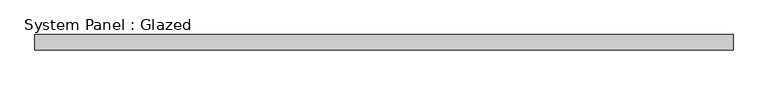
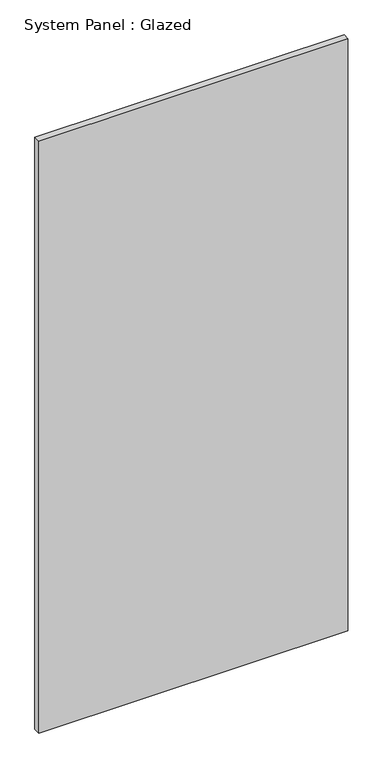
"""IFC4 building model written with IfcOpenShell, lengths in millimetres: plate geometry, System Panel : Glazed."""

import ifcopenshell
import ifcopenshell.guid

model = None  # the IFC model being written
_history = None  # IfcOwnerHistory: only IFC2X3 demands one
_inside = {}  # id of a spatial element -> (the spatial element, [elements in it])
_under = {}  # id of a project, library or spatial element -> (it, [spatial elements below it])
_declared = {}  # id of a project -> (the project, [libraries it declares])
_typed = {}  # id of a type object -> (the type object, [elements of that type])
_made_of = {}  # id of a material, layer set ... -> (it, [elements and type objects made of it])


def new_model(schema):
    """Start an empty IFC model of exactly this schema.

    Asked for "IFC4X3", IfcOpenShell would pick the latest addendum, in which some entities
    have other attributes; the version numbers below select the first issue.
    IFC2X3 requires an IfcOwnerHistory on every rooted entity: one is made here for all.
    """
    global model, _history
    if schema == "IFC4X3":
        model = ifcopenshell.file(schema_version=(4, 3, 0, 0))
    else:
        model = ifcopenshell.file(schema=schema)
    _inside.clear()
    _under.clear()
    _declared.clear()
    _typed.clear()
    _made_of.clear()
    _history = None
    if model.schema == "IFC2X3":
        org = make("IfcOrganization", Name="unknown")
        user = make(
            "IfcPersonAndOrganization",
            ThePerson=make("IfcPerson", FamilyName="unknown"),
            TheOrganization=org,
        )
        app = make(
            "IfcApplication",
            ApplicationDeveloper=org,
            Version="unknown",
            ApplicationFullName="unknown",
            ApplicationIdentifier="unknown",
        )
        _history = make(
            "IfcOwnerHistory",
            OwningUser=user,
            OwningApplication=app,
            ChangeAction="ADDED",
            CreationDate=0,
        )
    return model


def make(cls, **values):
    """One entity of the class cls with the attributes given. An attribute that is None is left unset."""
    return model.create_entity(
        cls, **{name: value for name, value in values.items() if value is not None}
    )


def rooted(cls, **values):
    """An entity with a GlobalId (a new one), such as an element, a storey or a relation."""
    return make(cls, GlobalId=ifcopenshell.guid.new(), OwnerHistory=_history, **values)


def si_unit(unit_type, name, prefix=None):
    """IfcSIUnit, for example si_unit("LENGTHUNIT", "METRE", prefix="MILLI")."""
    return make("IfcSIUnit", UnitType=unit_type, Prefix=prefix, Name=name)


def assignment(units):
    """IfcUnitAssignment: the units of a project."""
    return None if units is None else make("IfcUnitAssignment", Units=units)


def point(xyz):
    """IfcCartesianPoint."""
    return None if xyz is None else make("IfcCartesianPoint", Coordinates=xyz)


def direction(xyz):
    """IfcDirection."""
    return None if xyz is None else make("IfcDirection", DirectionRatios=xyz)


def frame(location, z_axis=None, x_axis=None):
    """IfcAxis2Placement3D, a coordinate frame: its origin and axes. An axis left out is left unset."""
    return make(
        "IfcAxis2Placement3D",
        Location=point(location),
        Axis=direction(z_axis),
        RefDirection=direction(x_axis),
    )


def origin():
    """The frame at (0, 0, 0) with its axes left unset."""
    return frame((0.0, 0.0, 0.0))


def origin_with_axes():
    """The frame at (0, 0, 0) with the z axis (0, 0, 1) and the x axis (1, 0, 0) written out."""
    return frame((0.0, 0.0, 0.0), z_axis=(0.0, 0.0, 1.0), x_axis=(1.0, 0.0, 0.0))


def place(relative_to, where):
    """IfcLocalPlacement: puts the frame where relative to a parent placement (None: the world)."""
    return make(
        "IfcLocalPlacement", PlacementRelTo=relative_to, RelativePlacement=where
    )


def context(
    kind, dimensions, precision=None, world=None, true_north=None, identifier=None
):
    """IfcGeometricRepresentationContext, for example the 3D "Model" context."""
    return make(
        "IfcGeometricRepresentationContext",
        ContextIdentifier=identifier,
        ContextType=kind,
        CoordinateSpaceDimension=dimensions,
        Precision=precision,
        WorldCoordinateSystem=world,
        TrueNorth=true_north,
    )


def project(units=None, contexts=None):
    """IfcProject with its units and contexts."""
    return rooted(
        "IfcProject",
        Name="project",
        RepresentationContexts=contexts,
        UnitsInContext=assignment(units),
    )


def spatial(cls, under=None, at=None, **own):
    """A site, building, storey or space (cls), placed at a placement, below another one or the project."""
    s = rooted(cls, ObjectPlacement=at, **own)
    if under is not None:
        _under.setdefault(under.id(), (under, []))[1].append(s)
    return s


def polyline(points):
    """IfcPolyline through the points."""
    return make("IfcPolyline", Points=[point(p) for p in points])


def outline(outer, holes=None, kind="AREA"):
    """IfcArbitraryClosedProfileDef: a profile drawn as a closed curve; with holes, ...WithVoids."""
    if holes is None:
        return make("IfcArbitraryClosedProfileDef", ProfileType=kind, OuterCurve=outer)
    return make(
        "IfcArbitraryProfileDefWithVoids",
        ProfileType=kind,
        OuterCurve=outer,
        InnerCurves=holes,
    )


def extrude(swept, where, along, depth):
    """IfcExtrudedAreaSolid: the profile swept, set in the frame where, extruded along a direction by depth."""
    return make(
        "IfcExtrudedAreaSolid",
        SweptArea=swept,
        Position=where,
        ExtrudedDirection=direction(along),
        Depth=depth,
    )


def shape(context_of_items, identifier, shape_type, items):
    """IfcShapeRepresentation: the items that make up one representation, for example the "Body"."""
    return make(
        "IfcShapeRepresentation",
        ContextOfItems=context_of_items,
        RepresentationIdentifier=identifier,
        RepresentationType=shape_type,
        Items=items,
    )


def source(mapping_origin, context_of_items, identifier, shape_type, items):
    """IfcRepresentationMap: a shape defined once, which mapped items show again and again."""
    return make(
        "IfcRepresentationMap",
        MappingOrigin=mapping_origin,
        MappedRepresentation=shape(context_of_items, identifier, shape_type, items),
    )


def transform(
    local_origin,
    x_axis=None,
    y_axis=None,
    z_axis=None,
    scale=None,
    scale2=None,
    scale3=None,
    uniform=True,
):
    """IfcCartesianTransformationOperator3D, or its non-uniform kind. x_axis, y_axis, z_axis: its Axis1, 2, 3."""
    if uniform:
        return make(
            "IfcCartesianTransformationOperator3D",
            Axis1=direction(x_axis),
            Axis2=direction(y_axis),
            LocalOrigin=point(local_origin),
            Scale=scale,
            Axis3=direction(z_axis),
        )
    return make(
        "IfcCartesianTransformationOperator3DnonUniform",
        Axis1=direction(x_axis),
        Axis2=direction(y_axis),
        LocalOrigin=point(local_origin),
        Scale=scale,
        Axis3=direction(z_axis),
        Scale2=scale2,
        Scale3=scale3,
    )


def mapped(mapping_source, mapping_target):
    """IfcMappedItem: shows the shape of a source again, moved by a transform."""
    return make(
        "IfcMappedItem", MappingSource=mapping_source, MappingTarget=mapping_target
    )


def made_of(thing, what):
    """Note that an element or type object is made of a material, layer set ...; save() writes the relation."""
    if what is not None:
        _made_of.setdefault(what.id(), (what, []))[1].append(thing)
    return thing


def element(
    cls,
    number,
    at=None,
    inside=None,
    cuts=None,
    type_object=None,
    material=None,
    context=None,
    identifier="Body",
    shape_type=None,
    held_by="IfcProductDefinitionShape",
    body=None,
    shapes=None,
    **own,
):
    """One element of the class cls, such as IfcWall. Its Tag is "e" and its number.

    at: its placement. inside: the storey or other place that contains it. cuts: it is an
    opening in that element (IfcRelVoidsElement). A single representation is given by context,
    identifier, shape_type and body (its items); several are given by shapes. held_by: the class
    of the entity that holds the representations. save() writes the other relations.
    """
    e = rooted(cls, Tag="e%d" % number, ObjectPlacement=at, **own)
    if body is not None:
        shapes = [shape(context, identifier, shape_type, body)]
    if shapes is not None:
        e.Representation = make(held_by, Representations=shapes)
    if inside is not None:
        _inside.setdefault(inside.id(), (inside, []))[1].append(e)
    if cuts is not None:
        rooted(
            "IfcRelVoidsElement", RelatingBuildingElement=cuts, RelatedOpeningElement=e
        )
    if type_object is not None:
        _typed.setdefault(type_object.id(), (type_object, []))[1].append(e)
    return made_of(e, material)


def aggregate(whole, parts):
    """IfcRelAggregates: a whole, such as a stair, and the parts it consists of."""
    return rooted("IfcRelAggregates", RelatingObject=whole, RelatedObjects=parts)


def save(model, path):
    """Write the relations noted so far, then the file.

    IfcRelAggregates (storeys below a building ...), IfcRelContainedInSpatialStructure (elements
    in a storey), IfcRelDefinesByType, IfcRelAssociatesMaterial and IfcRelDeclares: one each for
    every whole, place, type object, material and project.
    """
    for whole, parts in _under.values():
        aggregate(whole, parts)
    for where, things in _inside.values():
        rooted(
            "IfcRelContainedInSpatialStructure",
            RelatedElements=things,
            RelatingStructure=where,
        )
    for kind, things in _typed.values():
        rooted("IfcRelDefinesByType", RelatedObjects=things, RelatingType=kind)
    for what, things in _made_of.values():
        rooted("IfcRelAssociatesMaterial", RelatedObjects=things, RelatingMaterial=what)
    for by, libraries in _declared.values():
        rooted("IfcRelDeclares", RelatingContext=by, RelatedDefinitions=libraries)
    model.write(path)


def system_panel_glazed_eb6811a9(model_context):
    return source(origin(), model_context, "Body", "SweptSolid", [
        extrude(outline(polyline([(578.7229167, -44.45), (-578.7229167, -44.45), (-578.7229167, -19.05), (578.7229167, -19.05), (578.7229167, -44.45)])), origin_with_axes(), (0.0, 0.0, 1.0), 2343.15),
    ])


if __name__ == "__main__":
    model = new_model("IFC4")
    model_context = context("Model", 3, world=origin())
    ifc_project = project(units=[si_unit("LENGTHUNIT", "METRE", prefix="MILLI")], contexts=[model_context])
    site = spatial("IfcSite", under=ifc_project)
    building = spatial("IfcBuilding", under=site)
    placement = place(None, origin())
    system_panel_glazed_shape = system_panel_glazed_eb6811a9(model_context)
    element("IfcPlate", 1, ObjectType="System Panel : Glazed", at=placement, inside=building, context=model_context, shape_type="MappedRepresentation", body=[
        mapped(system_panel_glazed_shape, transform((0.0, 0.0, 0.0), x_axis=(1.0, 0.0, 0.0), y_axis=(0.0, 1.0, 0.0), z_axis=(0.0, 0.0, 1.0))),
    ])
    save(model, "model.ifc")
